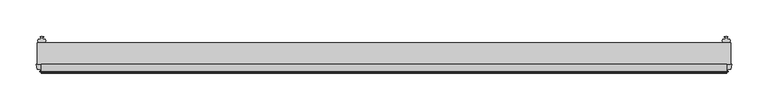
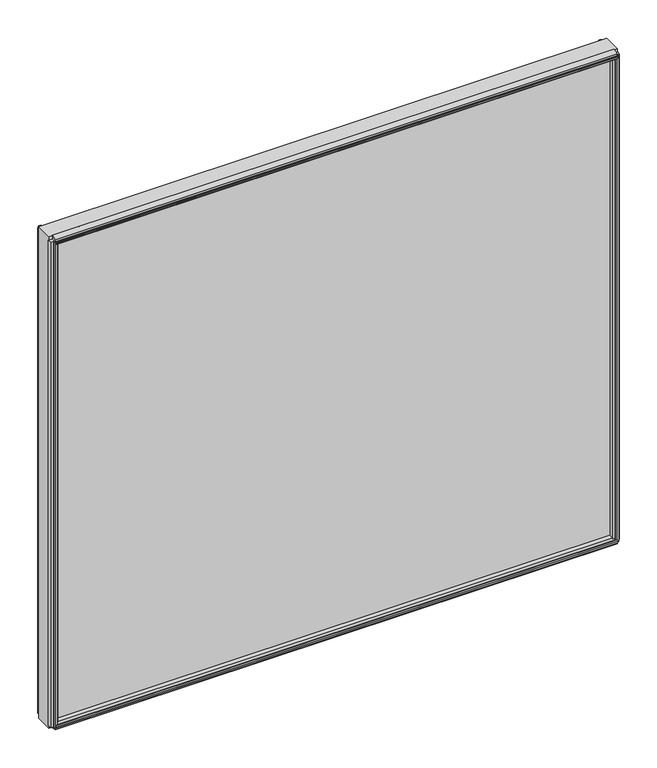
"""IFC4 building model written with IfcOpenShell, lengths in millimetres: plate geometry."""

from ifc_helpers import new_model, si_unit, frame, origin, place, context, project, spatial, polyline, outline, extrude, source, transform, mapped, element, save


def plate_bac0b403(model_context):
    return source(origin(), model_context, "Body", "SweptSolid", [
        extrude(outline(polyline([(471.425, 0.0611188), (471.425, -30.0632812), (-482.5375, -30.0632812), (-482.5375, 0.0611188), (471.425, 0.0611188)])), frame((0.0, 0.0, 24.1101562), z_axis=(0.0, 0.0, 1.0), x_axis=(1.0, 0.0, 0.0)), (0.0, 0.0, 1.0), 872.6979284),
        extrude(outline(polyline([(-30.0632812, 897.3999858), (-30.0632812, 883.0303978), (-36.7942812, 884.7995697), (-37.9052879, 888.9459029), (-40.6553872, 888.7086403), (-40.0090278, 887.2777749), (-40.7941323, 887.0674068), (-41.7914929, 889.2193982), (-42.003749, 891.5817577), (-41.2186445, 891.7921258), (-41.0629754, 890.2297803), (-38.5626883, 891.3993545), (-39.6736949, 895.5456877), (-30.0632812, 897.3999858)])), frame((-476.98125, 0.0, 0.0), z_axis=(1.0, 0.0, 0.0), x_axis=(0.0, 1.0, 0.0)), (0.0, 0.0, 1.0), 942.85),
        extrude(outline(polyline([(466.6209429, -39.5092713), (468.1694246, -39.2497314), (468.1723316, -40.0625262), (465.837, -40.4772812), (463.4987614, -40.0792415), (463.4987614, -39.2664467), (465.046153, -39.5149036), (464.5538273, -36.7987999), (460.2752005, -36.7987999), (459.0819, -30.0632812), (472.5921, -30.0632812), (471.4031205, -36.7744101), (467.0964891, -36.7744101), (466.6209429, -39.5092713)])), frame((0.0, 0.0, 29.6664062), z_axis=(0.0, 0.0, 1.0), x_axis=(1.0, 0.0, 0.0)), (0.0, 0.0, 1.0), 861.5854284),
        extrude(outline(polyline([(464.2910571, 7.5513088), (462.7425754, 7.2917689), (462.7396684, 8.1045637), (465.075, 8.5193188), (467.4132386, 8.121279), (467.4132386, 7.3084842), (465.865847, 7.5569411), (466.3581727, 4.8408374), (469.8491409, 4.8408374), (470.3779556, 2.5845617), (469.8448338, 0.0611188), (460.3051662, 0.0611188), (459.7720444, 2.5845617), (460.2998, 4.8363188), (463.8189662, 4.8363188), (464.2910571, 7.5513088)])), frame((0.0, 0.0, 29.6664062), z_axis=(0.0, 0.0, 1.0), x_axis=(1.0, 0.0, 0.0)), (0.0, 0.0, 1.0), 861.5854284),
        extrude(outline(polyline([(-477.7334429, -39.5092713), (-478.2089891, -36.7744101), (-482.5156205, -36.7744101), (-483.7046, -30.0632812), (-470.1944, -30.0632812), (-471.3877005, -36.7987999), (-475.6663273, -36.7987999), (-476.158653, -39.5149036), (-474.6112614, -39.2664467), (-474.6112614, -40.0792415), (-476.9495, -40.4772812), (-479.2848316, -40.0625262), (-479.2819246, -39.2497314), (-477.7334429, -39.5092713)])), frame((0.0, 0.0, 29.6664062), z_axis=(0.0, 0.0, 1.0), x_axis=(1.0, 0.0, 0.0)), (0.0, 0.0, 1.0), 861.5854284),
        extrude(outline(polyline([(-475.4035571, 7.5513088), (-474.9314662, 4.8363188), (-471.4123, 4.8363188), (-470.8845444, 2.5845617), (-471.4176662, 0.0611188), (-480.9573338, 0.0611188), (-481.4904556, 2.5845617), (-480.9616409, 4.8408374), (-477.4706727, 4.8408374), (-476.978347, 7.5569411), (-478.5257386, 7.3084842), (-478.5257386, 8.121279), (-476.1875, 8.5193188), (-473.8521684, 8.1045637), (-473.8550754, 7.2917689), (-475.4035571, 7.5513088)])), frame((0.0, 0.0, 29.6664062), z_axis=(0.0, 0.0, 1.0), x_axis=(1.0, 0.0, 0.0)), (0.0, 0.0, 1.0), 861.5854284),
        extrude(outline(polyline([(-30.0632813, 23.5182551), (-39.6736949, 25.3725532), (-38.5626883, 29.5188864), (-41.0629754, 30.6884606), (-41.2186445, 29.1261151), (-42.003749, 29.3364832), (-41.7914929, 31.6988428), (-40.7941323, 33.8508342), (-40.0090278, 33.6404661), (-40.6553872, 32.2096006), (-37.9052879, 31.972338), (-36.7942812, 36.1186712), (-30.0632813, 37.8878432), (-30.0632813, 23.5182551)])), frame((-476.98125, 0.0, 0.0), z_axis=(1.0, 0.0, 0.0), x_axis=(0.0, 1.0, 0.0)), (0.0, 0.0, 1.0), 942.85),
    ])


if __name__ == "__main__":
    model = new_model("IFC4")
    model_context = context("Model", 3, world=origin())
    ifc_project = project(units=[si_unit("LENGTHUNIT", "METRE", prefix="MILLI")], contexts=[model_context])
    site = spatial("IfcSite", under=ifc_project)
    building = spatial("IfcBuilding", under=site)
    placement = place(None, origin())
    plate_shape = plate_bac0b403(model_context)
    element("IfcPlate", 1, at=placement, inside=building, context=model_context, shape_type="MappedRepresentation", body=[
        mapped(plate_shape, transform((0.0, 0.0, 0.0), x_axis=(1.0, 0.0, 0.0), y_axis=(0.0, 1.0, 0.0), z_axis=(0.0, 0.0, 1.0))),
    ])
    save(model, "model.ifc")
